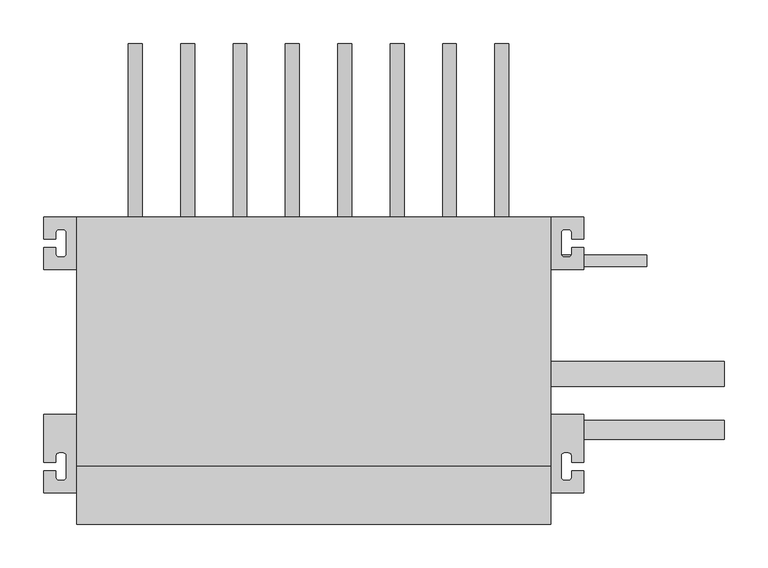
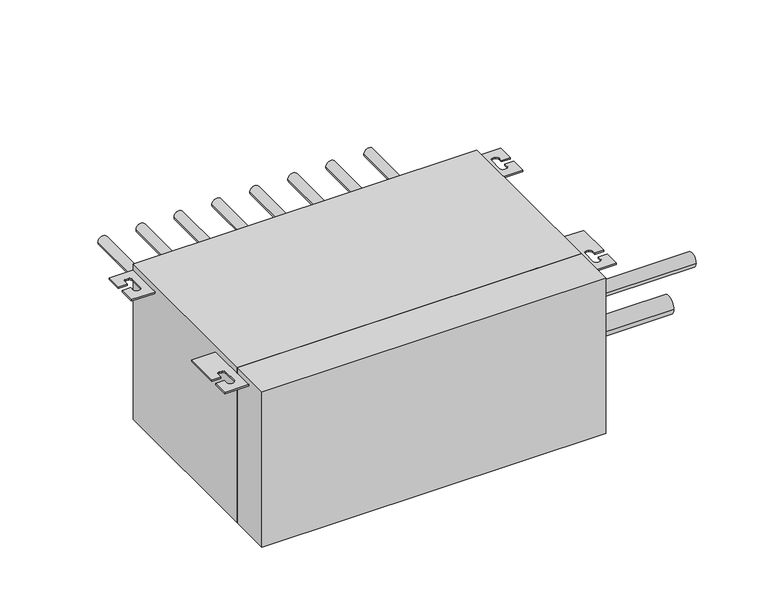
"""IFC4 building model written with IfcOpenShell, lengths in millimetres: proxy geometry."""

import ifcopenshell
import ifcopenshell.guid

model = None  # the IFC model being written
_history = None  # IfcOwnerHistory: only IFC2X3 demands one
_inside = {}  # id of a spatial element -> (the spatial element, [elements in it])
_under = {}  # id of a project, library or spatial element -> (it, [spatial elements below it])
_declared = {}  # id of a project -> (the project, [libraries it declares])
_typed = {}  # id of a type object -> (the type object, [elements of that type])
_made_of = {}  # id of a material, layer set ... -> (it, [elements and type objects made of it])


def new_model(schema):
    """Start an empty IFC model of exactly this schema.

    Asked for "IFC4X3", IfcOpenShell would pick the latest addendum, in which some entities
    have other attributes; the version numbers below select the first issue.
    IFC2X3 requires an IfcOwnerHistory on every rooted entity: one is made here for all.
    """
    global model, _history
    if schema == "IFC4X3":
        model = ifcopenshell.file(schema_version=(4, 3, 0, 0))
    else:
        model = ifcopenshell.file(schema=schema)
    _inside.clear()
    _under.clear()
    _declared.clear()
    _typed.clear()
    _made_of.clear()
    _history = None
    if model.schema == "IFC2X3":
        org = make("IfcOrganization", Name="unknown")
        user = make(
            "IfcPersonAndOrganization",
            ThePerson=make("IfcPerson", FamilyName="unknown"),
            TheOrganization=org,
        )
        app = make(
            "IfcApplication",
            ApplicationDeveloper=org,
            Version="unknown",
            ApplicationFullName="unknown",
            ApplicationIdentifier="unknown",
        )
        _history = make(
            "IfcOwnerHistory",
            OwningUser=user,
            OwningApplication=app,
            ChangeAction="ADDED",
            CreationDate=0,
        )
    return model


def make(cls, **values):
    """One entity of the class cls with the attributes given. An attribute that is None is left unset."""
    return model.create_entity(
        cls, **{name: value for name, value in values.items() if value is not None}
    )


def rooted(cls, **values):
    """An entity with a GlobalId (a new one), such as an element, a storey or a relation."""
    return make(cls, GlobalId=ifcopenshell.guid.new(), OwnerHistory=_history, **values)


def si_unit(unit_type, name, prefix=None):
    """IfcSIUnit, for example si_unit("LENGTHUNIT", "METRE", prefix="MILLI")."""
    return make("IfcSIUnit", UnitType=unit_type, Prefix=prefix, Name=name)


def assignment(units):
    """IfcUnitAssignment: the units of a project."""
    return None if units is None else make("IfcUnitAssignment", Units=units)


def point(xyz):
    """IfcCartesianPoint."""
    return None if xyz is None else make("IfcCartesianPoint", Coordinates=xyz)


def direction(xyz):
    """IfcDirection."""
    return None if xyz is None else make("IfcDirection", DirectionRatios=xyz)


def frame(location, z_axis=None, x_axis=None):
    """IfcAxis2Placement3D, a coordinate frame: its origin and axes. An axis left out is left unset."""
    return make(
        "IfcAxis2Placement3D",
        Location=point(location),
        Axis=direction(z_axis),
        RefDirection=direction(x_axis),
    )


def frame_2d(location, x_axis=None):
    """IfcAxis2Placement2D, a coordinate frame in the plane: its origin and x axis."""
    return make(
        "IfcAxis2Placement2D", Location=point(location), RefDirection=direction(x_axis)
    )


def origin():
    """The frame at (0, 0, 0) with its axes left unset."""
    return frame((0.0, 0.0, 0.0))


def origin_with_axes():
    """The frame at (0, 0, 0) with the z axis (0, 0, 1) and the x axis (1, 0, 0) written out."""
    return frame((0.0, 0.0, 0.0), z_axis=(0.0, 0.0, 1.0), x_axis=(1.0, 0.0, 0.0))


def place(relative_to, where):
    """IfcLocalPlacement: puts the frame where relative to a parent placement (None: the world)."""
    return make(
        "IfcLocalPlacement", PlacementRelTo=relative_to, RelativePlacement=where
    )


def context(
    kind, dimensions, precision=None, world=None, true_north=None, identifier=None
):
    """IfcGeometricRepresentationContext, for example the 3D "Model" context."""
    return make(
        "IfcGeometricRepresentationContext",
        ContextIdentifier=identifier,
        ContextType=kind,
        CoordinateSpaceDimension=dimensions,
        Precision=precision,
        WorldCoordinateSystem=world,
        TrueNorth=true_north,
    )


def project(units=None, contexts=None):
    """IfcProject with its units and contexts."""
    return rooted(
        "IfcProject",
        Name="project",
        RepresentationContexts=contexts,
        UnitsInContext=assignment(units),
    )


def spatial(cls, under=None, at=None, **own):
    """A site, building, storey or space (cls), placed at a placement, below another one or the project."""
    s = rooted(cls, ObjectPlacement=at, **own)
    if under is not None:
        _under.setdefault(under.id(), (under, []))[1].append(s)
    return s


def polyline(points):
    """IfcPolyline through the points."""
    return make("IfcPolyline", Points=[point(p) for p in points])


def circle_curve(where, radius):
    """IfcCircle in the frame where."""
    return make("IfcCircle", Position=where, Radius=radius)


def trimmed(basis, trim1, trim2, sense, master):
    """IfcTrimmedCurve: the piece of a basis curve between two trims."""
    return make(
        "IfcTrimmedCurve",
        BasisCurve=basis,
        Trim1=trim1,
        Trim2=trim2,
        SenseAgreement=sense,
        MasterRepresentation=master,
    )


def segment(curve, same_sense, transition):
    """IfcCompositeCurveSegment."""
    return make(
        "IfcCompositeCurveSegment",
        Transition=transition,
        SameSense=same_sense,
        ParentCurve=curve,
    )


def composite_curve(segments, self_intersect=None):
    """IfcCompositeCurve: segments joined end to end."""
    return make("IfcCompositeCurve", Segments=segments, SelfIntersect=self_intersect)


def outline(outer, holes=None, kind="AREA"):
    """IfcArbitraryClosedProfileDef: a profile drawn as a closed curve; with holes, ...WithVoids."""
    if holes is None:
        return make("IfcArbitraryClosedProfileDef", ProfileType=kind, OuterCurve=outer)
    return make(
        "IfcArbitraryProfileDefWithVoids",
        ProfileType=kind,
        OuterCurve=outer,
        InnerCurves=holes,
    )


def extrude(swept, where, along, depth):
    """IfcExtrudedAreaSolid: the profile swept, set in the frame where, extruded along a direction by depth."""
    return make(
        "IfcExtrudedAreaSolid",
        SweptArea=swept,
        Position=where,
        ExtrudedDirection=direction(along),
        Depth=depth,
    )


def shape(context_of_items, identifier, shape_type, items):
    """IfcShapeRepresentation: the items that make up one representation, for example the "Body"."""
    return make(
        "IfcShapeRepresentation",
        ContextOfItems=context_of_items,
        RepresentationIdentifier=identifier,
        RepresentationType=shape_type,
        Items=items,
    )


def source(mapping_origin, context_of_items, identifier, shape_type, items):
    """IfcRepresentationMap: a shape defined once, which mapped items show again and again."""
    return make(
        "IfcRepresentationMap",
        MappingOrigin=mapping_origin,
        MappedRepresentation=shape(context_of_items, identifier, shape_type, items),
    )


def transform(
    local_origin,
    x_axis=None,
    y_axis=None,
    z_axis=None,
    scale=None,
    scale2=None,
    scale3=None,
    uniform=True,
):
    """IfcCartesianTransformationOperator3D, or its non-uniform kind. x_axis, y_axis, z_axis: its Axis1, 2, 3."""
    if uniform:
        return make(
            "IfcCartesianTransformationOperator3D",
            Axis1=direction(x_axis),
            Axis2=direction(y_axis),
            LocalOrigin=point(local_origin),
            Scale=scale,
            Axis3=direction(z_axis),
        )
    return make(
        "IfcCartesianTransformationOperator3DnonUniform",
        Axis1=direction(x_axis),
        Axis2=direction(y_axis),
        LocalOrigin=point(local_origin),
        Scale=scale,
        Axis3=direction(z_axis),
        Scale2=scale2,
        Scale3=scale3,
    )


def mapped(mapping_source, mapping_target):
    """IfcMappedItem: shows the shape of a source again, moved by a transform."""
    return make(
        "IfcMappedItem", MappingSource=mapping_source, MappingTarget=mapping_target
    )


def made_of(thing, what):
    """Note that an element or type object is made of a material, layer set ...; save() writes the relation."""
    if what is not None:
        _made_of.setdefault(what.id(), (what, []))[1].append(thing)
    return thing


def element(
    cls,
    number,
    at=None,
    inside=None,
    cuts=None,
    type_object=None,
    material=None,
    context=None,
    identifier="Body",
    shape_type=None,
    held_by="IfcProductDefinitionShape",
    body=None,
    shapes=None,
    **own,
):
    """One element of the class cls, such as IfcWall. Its Tag is "e" and its number.

    at: its placement. inside: the storey or other place that contains it. cuts: it is an
    opening in that element (IfcRelVoidsElement). A single representation is given by context,
    identifier, shape_type and body (its items); several are given by shapes. held_by: the class
    of the entity that holds the representations. save() writes the other relations.
    """
    e = rooted(cls, Tag="e%d" % number, ObjectPlacement=at, **own)
    if body is not None:
        shapes = [shape(context, identifier, shape_type, body)]
    if shapes is not None:
        e.Representation = make(held_by, Representations=shapes)
    if inside is not None:
        _inside.setdefault(inside.id(), (inside, []))[1].append(e)
    if cuts is not None:
        rooted(
            "IfcRelVoidsElement", RelatingBuildingElement=cuts, RelatedOpeningElement=e
        )
    if type_object is not None:
        _typed.setdefault(type_object.id(), (type_object, []))[1].append(e)
    return made_of(e, material)


def aggregate(whole, parts):
    """IfcRelAggregates: a whole, such as a stair, and the parts it consists of."""
    return rooted("IfcRelAggregates", RelatingObject=whole, RelatedObjects=parts)


def save(model, path):
    """Write the relations noted so far, then the file.

    IfcRelAggregates (storeys below a building ...), IfcRelContainedInSpatialStructure (elements
    in a storey), IfcRelDefinesByType, IfcRelAssociatesMaterial and IfcRelDeclares: one each for
    every whole, place, type object, material and project.
    """
    for whole, parts in _under.values():
        aggregate(whole, parts)
    for where, things in _inside.values():
        rooted(
            "IfcRelContainedInSpatialStructure",
            RelatedElements=things,
            RelatingStructure=where,
        )
    for kind, things in _typed.values():
        rooted("IfcRelDefinesByType", RelatedObjects=things, RelatingType=kind)
    for what, things in _made_of.values():
        rooted("IfcRelAssociatesMaterial", RelatedObjects=things, RelatingMaterial=what)
    for by, libraries in _declared.values():
        rooted("IfcRelDeclares", RelatingContext=by, RelatedDefinitions=libraries)
    model.write(path)


def mechanical_equipment_6bf4a7af(model_context):
    return source(origin(), model_context, "Body", "SweptSolid", [
        extrude(outline(polyline([(543.0, 67.0), (0.0, 67.0), (0.0, 352.0), (543.0, 352.0), (543.0, 67.0)])), origin_with_axes(), (0.0, 0.0, 1.0), 260.0),
        extrude(outline(composite_curve([segment(polyline([(0.0, 352.0), (0.0, 292.0), (-38.0, 292.0), (-38.0, 317.0), (-24.0, 317.0), (-24.0, 310.0)]), True, "CONTINUOUS"), segment(trimmed(circle_curve(frame_2d((-20.0, 310.0)), 4.0), [point((-24.0, 310.0))], [point((-20.0, 306.0))], True, "CARTESIAN"), True, "CONTINUOUS"), segment(polyline([(-20.0, 306.0), (-16.0, 306.0)]), True, "CONTINUOUS"), segment(trimmed(circle_curve(frame_2d((-16.0, 310.0)), 4.0), [point((-16.0, 306.0))], [point((-12.0, 310.0))], True, "CARTESIAN"), True, "CONTINUOUS"), segment(polyline([(-12.0, 310.0), (-12.0, 334.0)]), True, "CONTINUOUS"), segment(trimmed(circle_curve(frame_2d((-16.0, 334.0)), 4.0), [point((-12.0, 334.0))], [point((-16.0, 338.0))], True, "CARTESIAN"), True, "CONTINUOUS"), segment(polyline([(-16.0, 338.0), (-20.0, 338.0)]), True, "CONTINUOUS"), segment(trimmed(circle_curve(frame_2d((-20.0, 334.0)), 4.0), [point((-20.0, 338.0))], [point((-24.0, 334.0))], True, "CARTESIAN"), True, "CONTINUOUS"), segment(polyline([(-24.0, 334.0), (-24.0, 327.0), (-38.0, 327.0), (-38.0, 352.0), (0.0, 352.0)]), True, "CONTINUOUS")], self_intersect=False)), frame((0.0, 0.0, 247.5), z_axis=(0.0, 0.0, 1.0), x_axis=(1.0, 0.0, 0.0)), (0.0, 0.0, 1.0), 2.5),
        extrude(outline(composite_curve([segment(polyline([(543.0, 352.0), (581.0, 352.0), (581.0, 327.0), (567.0, 327.0), (567.0, 334.0)]), True, "CONTINUOUS"), segment(trimmed(circle_curve(frame_2d((563.0, 334.0)), 4.0), [point((567.0, 334.0))], [point((563.0, 338.0))], True, "CARTESIAN"), True, "CONTINUOUS"), segment(polyline([(563.0, 338.0), (559.0, 338.0)]), True, "CONTINUOUS"), segment(trimmed(circle_curve(frame_2d((559.0, 334.0)), 4.0), [point((559.0, 338.0))], [point((555.0, 334.0))], True, "CARTESIAN"), True, "CONTINUOUS"), segment(polyline([(555.0, 334.0), (555.0, 310.0)]), True, "CONTINUOUS"), segment(trimmed(circle_curve(frame_2d((559.0, 310.0)), 4.0), [point((555.0, 310.0))], [point((559.0, 306.0))], True, "CARTESIAN"), True, "CONTINUOUS"), segment(polyline([(559.0, 306.0), (563.0, 306.0)]), True, "CONTINUOUS"), segment(trimmed(circle_curve(frame_2d((563.0, 310.0)), 4.0), [point((563.0, 306.0))], [point((567.0, 310.0))], True, "CARTESIAN"), True, "CONTINUOUS"), segment(polyline([(567.0, 310.0), (567.0, 317.0), (581.0, 317.0), (581.0, 292.0), (543.0, 292.0), (543.0, 352.0)]), True, "CONTINUOUS")], self_intersect=False)), frame((0.0, 0.0, 247.5), z_axis=(0.0, 0.0, 1.0), x_axis=(1.0, 0.0, 0.0)), (0.0, 0.0, 1.0), 2.5),
        extrude(outline(composite_curve([segment(polyline([(0.0, 36.0), (-38.0, 36.0), (-38.0, 61.0), (-24.0, 61.0), (-24.0, 54.0)]), True, "CONTINUOUS"), segment(trimmed(circle_curve(frame_2d((-20.0, 54.0)), 4.0), [point((-24.0, 54.0))], [point((-20.0, 50.0))], True, "CARTESIAN"), True, "CONTINUOUS"), segment(polyline([(-20.0, 50.0), (-16.0, 50.0)]), True, "CONTINUOUS"), segment(trimmed(circle_curve(frame_2d((-16.0, 54.0)), 4.0), [point((-16.0, 50.0))], [point((-12.0, 54.0))], True, "CARTESIAN"), True, "CONTINUOUS"), segment(polyline([(-12.0, 54.0), (-12.0, 78.0)]), True, "CONTINUOUS"), segment(trimmed(circle_curve(frame_2d((-16.0, 78.0)), 4.0), [point((-12.0, 78.0))], [point((-16.0, 82.0))], True, "CARTESIAN"), True, "CONTINUOUS"), segment(polyline([(-16.0, 82.0), (-20.0, 82.0)]), True, "CONTINUOUS"), segment(trimmed(circle_curve(frame_2d((-20.0, 78.0)), 4.0), [point((-20.0, 82.0))], [point((-24.0, 78.0))], True, "CARTESIAN"), True, "CONTINUOUS"), segment(polyline([(-24.0, 78.0), (-24.0, 71.0), (-38.0, 71.0), (-38.0, 126.0), (0.0, 126.0), (0.0, 36.0)]), True, "CONTINUOUS")], self_intersect=False)), frame((0.0, 0.0, 247.5), z_axis=(0.0, 0.0, 1.0), x_axis=(1.0, 0.0, 0.0)), (0.0, 0.0, 1.0), 2.5),
        extrude(outline(composite_curve([segment(polyline([(543.0, 36.0), (543.0, 126.0), (581.0, 126.0), (581.0, 71.0), (567.0, 71.0), (567.0, 78.0)]), True, "CONTINUOUS"), segment(trimmed(circle_curve(frame_2d((563.0, 78.0)), 4.0), [point((567.0, 78.0))], [point((563.0, 82.0))], True, "CARTESIAN"), True, "CONTINUOUS"), segment(polyline([(563.0, 82.0), (559.0, 82.0)]), True, "CONTINUOUS"), segment(trimmed(circle_curve(frame_2d((559.0, 78.0)), 4.0), [point((559.0, 82.0))], [point((555.0, 78.0))], True, "CARTESIAN"), True, "CONTINUOUS"), segment(polyline([(555.0, 78.0), (555.0, 54.0)]), True, "CONTINUOUS"), segment(trimmed(circle_curve(frame_2d((559.0, 54.0)), 4.0), [point((555.0, 54.0))], [point((559.0, 50.0))], True, "CARTESIAN"), True, "CONTINUOUS"), segment(polyline([(559.0, 50.0), (563.0, 50.0)]), True, "CONTINUOUS"), segment(trimmed(circle_curve(frame_2d((563.0, 54.0)), 4.0), [point((563.0, 50.0))], [point((567.0, 54.0))], True, "CARTESIAN"), True, "CONTINUOUS"), segment(polyline([(567.0, 54.0), (567.0, 61.0), (581.0, 61.0), (581.0, 36.0), (543.0, 36.0)]), True, "CONTINUOUS")], self_intersect=False)), frame((0.0, 0.0, 247.5), z_axis=(0.0, 0.0, 1.0), x_axis=(1.0, 0.0, 0.0)), (0.0, 0.0, 1.0), 2.5),
        extrude(outline(polyline([(0.0, 0.0), (0.0, 67.0), (543.0, 67.0), (543.0, 0.0), (0.0, 0.0)])), origin_with_axes(), (0.0, 0.0, 1.0), 260.0),
        extrude(outline(composite_curve([segment(trimmed(circle_curve(frame_2d((155.0, 67.0)), 7.94), [point((155.0, 59.06))], [point((155.0, 74.94))], False, "CARTESIAN"), True, "CONTINUOUS"), segment(trimmed(circle_curve(frame_2d((155.0, 67.0)), 7.94), [point((155.0, 74.94))], [point((155.0, 59.06))], False, "CARTESIAN"), True, "CONTINUOUS")], self_intersect=False)), frame((0.0, 352.0, 0.0), z_axis=(0.0, 1.0, 0.0), x_axis=(0.0, 0.0, 1.0)), (0.0, 0.0, 1.0), 199.0),
        extrude(outline(composite_curve([segment(trimmed(circle_curve(frame_2d((155.0, 127.0)), 7.94), [point((155.0, 119.06))], [point((155.0, 134.94))], False, "CARTESIAN"), True, "CONTINUOUS"), segment(trimmed(circle_curve(frame_2d((155.0, 127.0)), 7.94), [point((155.0, 134.94))], [point((155.0, 119.06))], False, "CARTESIAN"), True, "CONTINUOUS")], self_intersect=False)), frame((0.0, 352.0, 0.0), z_axis=(0.0, 1.0, 0.0), x_axis=(0.0, 0.0, 1.0)), (0.0, 0.0, 1.0), 199.0),
        extrude(outline(composite_curve([segment(trimmed(circle_curve(frame_2d((155.0, 187.0)), 7.94), [point((155.0, 179.06))], [point((155.0, 194.94))], False, "CARTESIAN"), True, "CONTINUOUS"), segment(trimmed(circle_curve(frame_2d((155.0, 187.0)), 7.94), [point((155.0, 194.94))], [point((155.0, 179.06))], False, "CARTESIAN"), True, "CONTINUOUS")], self_intersect=False)), frame((0.0, 352.0, 0.0), z_axis=(0.0, 1.0, 0.0), x_axis=(0.0, 0.0, 1.0)), (0.0, 0.0, 1.0), 199.0),
        extrude(outline(composite_curve([segment(trimmed(circle_curve(frame_2d((155.0, 247.0)), 7.94), [point((155.0, 239.06))], [point((155.0, 254.94))], False, "CARTESIAN"), True, "CONTINUOUS"), segment(trimmed(circle_curve(frame_2d((155.0, 247.0)), 7.94), [point((155.0, 254.94))], [point((155.0, 239.06))], False, "CARTESIAN"), True, "CONTINUOUS")], self_intersect=False)), frame((0.0, 352.0, 0.0), z_axis=(0.0, 1.0, 0.0), x_axis=(0.0, 0.0, 1.0)), (0.0, 0.0, 1.0), 199.0),
        extrude(outline(composite_curve([segment(trimmed(circle_curve(frame_2d((155.0, 307.0)), 7.94), [point((155.0, 299.06))], [point((155.0, 314.94))], False, "CARTESIAN"), True, "CONTINUOUS"), segment(trimmed(circle_curve(frame_2d((155.0, 307.0)), 7.94), [point((155.0, 314.94))], [point((155.0, 299.06))], False, "CARTESIAN"), True, "CONTINUOUS")], self_intersect=False)), frame((0.0, 352.0, 0.0), z_axis=(0.0, 1.0, 0.0), x_axis=(0.0, 0.0, 1.0)), (0.0, 0.0, 1.0), 199.0),
        extrude(outline(composite_curve([segment(trimmed(circle_curve(frame_2d((155.0, 367.0)), 7.94), [point((155.0, 359.06))], [point((155.0, 374.94))], False, "CARTESIAN"), True, "CONTINUOUS"), segment(trimmed(circle_curve(frame_2d((155.0, 367.0)), 7.94), [point((155.0, 374.94))], [point((155.0, 359.06))], False, "CARTESIAN"), True, "CONTINUOUS")], self_intersect=False)), frame((0.0, 352.0, 0.0), z_axis=(0.0, 1.0, 0.0), x_axis=(0.0, 0.0, 1.0)), (0.0, 0.0, 1.0), 199.0),
        extrude(outline(composite_curve([segment(trimmed(circle_curve(frame_2d((155.0, 427.0)), 7.94), [point((155.0, 419.06))], [point((155.0, 434.94))], False, "CARTESIAN"), True, "CONTINUOUS"), segment(trimmed(circle_curve(frame_2d((155.0, 427.0)), 7.94), [point((155.0, 434.94))], [point((155.0, 419.06))], False, "CARTESIAN"), True, "CONTINUOUS")], self_intersect=False)), frame((0.0, 352.0, 0.0), z_axis=(0.0, 1.0, 0.0), x_axis=(0.0, 0.0, 1.0)), (0.0, 0.0, 1.0), 199.0),
        extrude(outline(composite_curve([segment(trimmed(circle_curve(frame_2d((155.0, 487.0)), 7.94), [point((155.0, 479.06))], [point((155.0, 494.94))], False, "CARTESIAN"), True, "CONTINUOUS"), segment(trimmed(circle_curve(frame_2d((155.0, 487.0)), 7.94), [point((155.0, 494.94))], [point((155.0, 479.06))], False, "CARTESIAN"), True, "CONTINUOUS")], self_intersect=False)), frame((0.0, 352.0, 0.0), z_axis=(0.0, 1.0, 0.0), x_axis=(0.0, 0.0, 1.0)), (0.0, 0.0, 1.0), 199.0),
        extrude(outline(composite_curve([segment(trimmed(circle_curve(frame_2d((60.0, 67.0)), 4.76), [point((60.0, 62.24))], [point((60.0, 71.76))], False, "CARTESIAN"), True, "CONTINUOUS"), segment(trimmed(circle_curve(frame_2d((60.0, 67.0)), 4.76), [point((60.0, 71.76))], [point((60.0, 62.24))], False, "CARTESIAN"), True, "CONTINUOUS")], self_intersect=False)), frame((0.0, 352.0, 0.0), z_axis=(0.0, 1.0, 0.0), x_axis=(0.0, 0.0, 1.0)), (0.0, 0.0, 1.0), 86.0),
        extrude(outline(composite_curve([segment(trimmed(circle_curve(frame_2d((60.0, 127.0)), 4.76), [point((60.0, 122.24))], [point((60.0, 131.76))], False, "CARTESIAN"), True, "CONTINUOUS"), segment(trimmed(circle_curve(frame_2d((60.0, 127.0)), 4.76), [point((60.0, 131.76))], [point((60.0, 122.24))], False, "CARTESIAN"), True, "CONTINUOUS")], self_intersect=False)), frame((0.0, 352.0, 0.0), z_axis=(0.0, 1.0, 0.0), x_axis=(0.0, 0.0, 1.0)), (0.0, 0.0, 1.0), 86.0),
        extrude(outline(composite_curve([segment(trimmed(circle_curve(frame_2d((60.0, 187.0)), 4.76), [point((60.0, 182.24))], [point((60.0, 191.76))], False, "CARTESIAN"), True, "CONTINUOUS"), segment(trimmed(circle_curve(frame_2d((60.0, 187.0)), 4.76), [point((60.0, 191.76))], [point((60.0, 182.24))], False, "CARTESIAN"), True, "CONTINUOUS")], self_intersect=False)), frame((0.0, 352.0, 0.0), z_axis=(0.0, 1.0, 0.0), x_axis=(0.0, 0.0, 1.0)), (0.0, 0.0, 1.0), 86.0),
        extrude(outline(composite_curve([segment(trimmed(circle_curve(frame_2d((60.0, 247.0)), 4.76), [point((60.0, 242.24))], [point((60.0, 251.76))], False, "CARTESIAN"), True, "CONTINUOUS"), segment(trimmed(circle_curve(frame_2d((60.0, 247.0)), 4.76), [point((60.0, 251.76))], [point((60.0, 242.24))], False, "CARTESIAN"), True, "CONTINUOUS")], self_intersect=False)), frame((0.0, 352.0, 0.0), z_axis=(0.0, 1.0, 0.0), x_axis=(0.0, 0.0, 1.0)), (0.0, 0.0, 1.0), 86.0),
        extrude(outline(composite_curve([segment(trimmed(circle_curve(frame_2d((60.0, 307.0)), 4.76), [point((60.0, 302.24))], [point((60.0, 311.76))], False, "CARTESIAN"), True, "CONTINUOUS"), segment(trimmed(circle_curve(frame_2d((60.0, 307.0)), 4.76), [point((60.0, 311.76))], [point((60.0, 302.24))], False, "CARTESIAN"), True, "CONTINUOUS")], self_intersect=False)), frame((0.0, 352.0, 0.0), z_axis=(0.0, 1.0, 0.0), x_axis=(0.0, 0.0, 1.0)), (0.0, 0.0, 1.0), 86.0),
        extrude(outline(composite_curve([segment(trimmed(circle_curve(frame_2d((60.0, 367.0)), 4.76), [point((60.0, 362.24))], [point((60.0, 371.76))], False, "CARTESIAN"), True, "CONTINUOUS"), segment(trimmed(circle_curve(frame_2d((60.0, 367.0)), 4.76), [point((60.0, 371.76))], [point((60.0, 362.24))], False, "CARTESIAN"), True, "CONTINUOUS")], self_intersect=False)), frame((0.0, 352.0, 0.0), z_axis=(0.0, 1.0, 0.0), x_axis=(0.0, 0.0, 1.0)), (0.0, 0.0, 1.0), 86.0),
        extrude(outline(composite_curve([segment(trimmed(circle_curve(frame_2d((60.0, 427.0)), 4.76), [point((60.0, 422.24))], [point((60.0, 431.76))], False, "CARTESIAN"), True, "CONTINUOUS"), segment(trimmed(circle_curve(frame_2d((60.0, 427.0)), 4.76), [point((60.0, 431.76))], [point((60.0, 422.24))], False, "CARTESIAN"), True, "CONTINUOUS")], self_intersect=False)), frame((0.0, 352.0, 0.0), z_axis=(0.0, 1.0, 0.0), x_axis=(0.0, 0.0, 1.0)), (0.0, 0.0, 1.0), 86.0),
        extrude(outline(composite_curve([segment(trimmed(circle_curve(frame_2d((60.0, 487.0)), 4.76), [point((60.0, 482.24))], [point((60.0, 491.76))], False, "CARTESIAN"), True, "CONTINUOUS"), segment(trimmed(circle_curve(frame_2d((60.0, 487.0)), 4.76), [point((60.0, 491.76))], [point((60.0, 482.24))], False, "CARTESIAN"), True, "CONTINUOUS")], self_intersect=False)), frame((0.0, 352.0, 0.0), z_axis=(0.0, 1.0, 0.0), x_axis=(0.0, 0.0, 1.0)), (0.0, 0.0, 1.0), 86.0),
        extrude(outline(composite_curve([segment(trimmed(circle_curve(frame_2d((108.0, 156.0)), 11.11), [point((96.89, 156.0))], [point((119.11, 156.0))], False, "CARTESIAN"), True, "CONTINUOUS"), segment(trimmed(circle_curve(frame_2d((108.0, 156.0)), 11.11), [point((119.11, 156.0))], [point((96.89, 156.0))], False, "CARTESIAN"), True, "CONTINUOUS")], self_intersect=False)), frame((543.0, 0.0, 0.0), z_axis=(1.0, 0.0, 0.0), x_axis=(0.0, 1.0, 0.0)), (0.0, 0.0, 1.0), 199.0),
        extrude(outline(composite_curve([segment(trimmed(circle_curve(frame_2d((172.0, 42.0)), 14.285), [point((157.715, 42.0))], [point((186.285, 42.0))], False, "CARTESIAN"), True, "CONTINUOUS"), segment(trimmed(circle_curve(frame_2d((172.0, 42.0)), 14.285), [point((186.285, 42.0))], [point((157.715, 42.0))], False, "CARTESIAN"), True, "CONTINUOUS")], self_intersect=False)), frame((543.0, 0.0, 0.0), z_axis=(1.0, 0.0, 0.0), x_axis=(0.0, 1.0, 0.0)), (0.0, 0.0, 1.0), 199.0),
        extrude(outline(composite_curve([segment(trimmed(circle_curve(frame_2d((302.0, 60.0)), 6.35), [point((295.65, 60.0))], [point((308.35, 60.0))], False, "CARTESIAN"), True, "CONTINUOUS"), segment(trimmed(circle_curve(frame_2d((302.0, 60.0)), 6.35), [point((308.35, 60.0))], [point((295.65, 60.0))], False, "CARTESIAN"), True, "CONTINUOUS")], self_intersect=False)), frame((543.0, 0.0, 0.0), z_axis=(1.0, 0.0, 0.0), x_axis=(0.0, 1.0, 0.0)), (0.0, 0.0, 1.0), 110.0),
    ])


if __name__ == "__main__":
    model = new_model("IFC4")
    model_context = context("Model", 3, world=origin())
    ifc_project = project(units=[si_unit("LENGTHUNIT", "METRE", prefix="MILLI")], contexts=[model_context])
    site = spatial("IfcSite", under=ifc_project)
    building = spatial("IfcBuilding", under=site)
    placement = place(None, origin())
    mechanical_equipment_shape = mechanical_equipment_6bf4a7af(model_context)
    element("IfcBuildingElementProxy", 1, Name="Mechanical Equipment", at=placement, inside=building, context=model_context, shape_type="MappedRepresentation", body=[
        mapped(mechanical_equipment_shape, transform((0.0, 0.0, 0.0), x_axis=(1.0, 0.0, 0.0), y_axis=(0.0, 1.0, 0.0), z_axis=(0.0, 0.0, 1.0))),
    ])
    save(model, "model.ifc")
